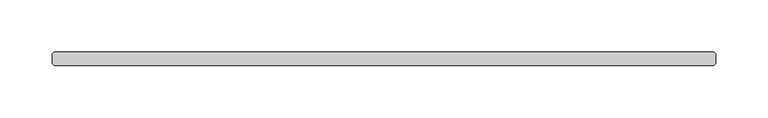
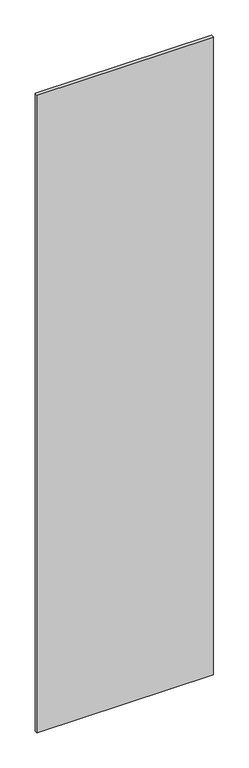
"""IFC4 building model written with IfcOpenShell, lengths in millimetres: plate geometry."""

import ifcopenshell
import ifcopenshell.guid

model = None  # the IFC model being written
_history = None  # IfcOwnerHistory: only IFC2X3 demands one
_inside = {}  # id of a spatial element -> (the spatial element, [elements in it])
_under = {}  # id of a project, library or spatial element -> (it, [spatial elements below it])
_declared = {}  # id of a project -> (the project, [libraries it declares])
_typed = {}  # id of a type object -> (the type object, [elements of that type])
_made_of = {}  # id of a material, layer set ... -> (it, [elements and type objects made of it])


def new_model(schema):
    """Start an empty IFC model of exactly this schema.

    Asked for "IFC4X3", IfcOpenShell would pick the latest addendum, in which some entities
    have other attributes; the version numbers below select the first issue.
    IFC2X3 requires an IfcOwnerHistory on every rooted entity: one is made here for all.
    """
    global model, _history
    if schema == "IFC4X3":
        model = ifcopenshell.file(schema_version=(4, 3, 0, 0))
    else:
        model = ifcopenshell.file(schema=schema)
    _inside.clear()
    _under.clear()
    _declared.clear()
    _typed.clear()
    _made_of.clear()
    _history = None
    if model.schema == "IFC2X3":
        org = make("IfcOrganization", Name="unknown")
        user = make(
            "IfcPersonAndOrganization",
            ThePerson=make("IfcPerson", FamilyName="unknown"),
            TheOrganization=org,
        )
        app = make(
            "IfcApplication",
            ApplicationDeveloper=org,
            Version="unknown",
            ApplicationFullName="unknown",
            ApplicationIdentifier="unknown",
        )
        _history = make(
            "IfcOwnerHistory",
            OwningUser=user,
            OwningApplication=app,
            ChangeAction="ADDED",
            CreationDate=0,
        )
    return model


def make(cls, **values):
    """One entity of the class cls with the attributes given. An attribute that is None is left unset."""
    return model.create_entity(
        cls, **{name: value for name, value in values.items() if value is not None}
    )


def rooted(cls, **values):
    """An entity with a GlobalId (a new one), such as an element, a storey or a relation."""
    return make(cls, GlobalId=ifcopenshell.guid.new(), OwnerHistory=_history, **values)


def si_unit(unit_type, name, prefix=None):
    """IfcSIUnit, for example si_unit("LENGTHUNIT", "METRE", prefix="MILLI")."""
    return make("IfcSIUnit", UnitType=unit_type, Prefix=prefix, Name=name)


def assignment(units):
    """IfcUnitAssignment: the units of a project."""
    return None if units is None else make("IfcUnitAssignment", Units=units)


def point(xyz):
    """IfcCartesianPoint."""
    return None if xyz is None else make("IfcCartesianPoint", Coordinates=xyz)


def direction(xyz):
    """IfcDirection."""
    return None if xyz is None else make("IfcDirection", DirectionRatios=xyz)


def frame(location, z_axis=None, x_axis=None):
    """IfcAxis2Placement3D, a coordinate frame: its origin and axes. An axis left out is left unset."""
    return make(
        "IfcAxis2Placement3D",
        Location=point(location),
        Axis=direction(z_axis),
        RefDirection=direction(x_axis),
    )


def origin():
    """The frame at (0, 0, 0) with its axes left unset."""
    return frame((0.0, 0.0, 0.0))


def origin_with_axes():
    """The frame at (0, 0, 0) with the z axis (0, 0, 1) and the x axis (1, 0, 0) written out."""
    return frame((0.0, 0.0, 0.0), z_axis=(0.0, 0.0, 1.0), x_axis=(1.0, 0.0, 0.0))


def place(relative_to, where):
    """IfcLocalPlacement: puts the frame where relative to a parent placement (None: the world)."""
    return make(
        "IfcLocalPlacement", PlacementRelTo=relative_to, RelativePlacement=where
    )


def context(
    kind, dimensions, precision=None, world=None, true_north=None, identifier=None
):
    """IfcGeometricRepresentationContext, for example the 3D "Model" context."""
    return make(
        "IfcGeometricRepresentationContext",
        ContextIdentifier=identifier,
        ContextType=kind,
        CoordinateSpaceDimension=dimensions,
        Precision=precision,
        WorldCoordinateSystem=world,
        TrueNorth=true_north,
    )


def project(units=None, contexts=None):
    """IfcProject with its units and contexts."""
    return rooted(
        "IfcProject",
        Name="project",
        RepresentationContexts=contexts,
        UnitsInContext=assignment(units),
    )


def spatial(cls, under=None, at=None, **own):
    """A site, building, storey or space (cls), placed at a placement, below another one or the project."""
    s = rooted(cls, ObjectPlacement=at, **own)
    if under is not None:
        _under.setdefault(under.id(), (under, []))[1].append(s)
    return s


def polyline(points):
    """IfcPolyline through the points."""
    return make("IfcPolyline", Points=[point(p) for p in points])


def outline(outer, holes=None, kind="AREA"):
    """IfcArbitraryClosedProfileDef: a profile drawn as a closed curve; with holes, ...WithVoids."""
    if holes is None:
        return make("IfcArbitraryClosedProfileDef", ProfileType=kind, OuterCurve=outer)
    return make(
        "IfcArbitraryProfileDefWithVoids",
        ProfileType=kind,
        OuterCurve=outer,
        InnerCurves=holes,
    )


def extrude(swept, where, along, depth):
    """IfcExtrudedAreaSolid: the profile swept, set in the frame where, extruded along a direction by depth."""
    return make(
        "IfcExtrudedAreaSolid",
        SweptArea=swept,
        Position=where,
        ExtrudedDirection=direction(along),
        Depth=depth,
    )


def shape(context_of_items, identifier, shape_type, items):
    """IfcShapeRepresentation: the items that make up one representation, for example the "Body"."""
    return make(
        "IfcShapeRepresentation",
        ContextOfItems=context_of_items,
        RepresentationIdentifier=identifier,
        RepresentationType=shape_type,
        Items=items,
    )


def source(mapping_origin, context_of_items, identifier, shape_type, items):
    """IfcRepresentationMap: a shape defined once, which mapped items show again and again."""
    return make(
        "IfcRepresentationMap",
        MappingOrigin=mapping_origin,
        MappedRepresentation=shape(context_of_items, identifier, shape_type, items),
    )


def transform(
    local_origin,
    x_axis=None,
    y_axis=None,
    z_axis=None,
    scale=None,
    scale2=None,
    scale3=None,
    uniform=True,
):
    """IfcCartesianTransformationOperator3D, or its non-uniform kind. x_axis, y_axis, z_axis: its Axis1, 2, 3."""
    if uniform:
        return make(
            "IfcCartesianTransformationOperator3D",
            Axis1=direction(x_axis),
            Axis2=direction(y_axis),
            LocalOrigin=point(local_origin),
            Scale=scale,
            Axis3=direction(z_axis),
        )
    return make(
        "IfcCartesianTransformationOperator3DnonUniform",
        Axis1=direction(x_axis),
        Axis2=direction(y_axis),
        LocalOrigin=point(local_origin),
        Scale=scale,
        Axis3=direction(z_axis),
        Scale2=scale2,
        Scale3=scale3,
    )


def mapped(mapping_source, mapping_target):
    """IfcMappedItem: shows the shape of a source again, moved by a transform."""
    return make(
        "IfcMappedItem", MappingSource=mapping_source, MappingTarget=mapping_target
    )


def made_of(thing, what):
    """Note that an element or type object is made of a material, layer set ...; save() writes the relation."""
    if what is not None:
        _made_of.setdefault(what.id(), (what, []))[1].append(thing)
    return thing


def element(
    cls,
    number,
    at=None,
    inside=None,
    cuts=None,
    type_object=None,
    material=None,
    context=None,
    identifier="Body",
    shape_type=None,
    held_by="IfcProductDefinitionShape",
    body=None,
    shapes=None,
    **own,
):
    """One element of the class cls, such as IfcWall. Its Tag is "e" and its number.

    at: its placement. inside: the storey or other place that contains it. cuts: it is an
    opening in that element (IfcRelVoidsElement). A single representation is given by context,
    identifier, shape_type and body (its items); several are given by shapes. held_by: the class
    of the entity that holds the representations. save() writes the other relations.
    """
    e = rooted(cls, Tag="e%d" % number, ObjectPlacement=at, **own)
    if body is not None:
        shapes = [shape(context, identifier, shape_type, body)]
    if shapes is not None:
        e.Representation = make(held_by, Representations=shapes)
    if inside is not None:
        _inside.setdefault(inside.id(), (inside, []))[1].append(e)
    if cuts is not None:
        rooted(
            "IfcRelVoidsElement", RelatingBuildingElement=cuts, RelatedOpeningElement=e
        )
    if type_object is not None:
        _typed.setdefault(type_object.id(), (type_object, []))[1].append(e)
    return made_of(e, material)


def aggregate(whole, parts):
    """IfcRelAggregates: a whole, such as a stair, and the parts it consists of."""
    return rooted("IfcRelAggregates", RelatingObject=whole, RelatedObjects=parts)


def save(model, path):
    """Write the relations noted so far, then the file.

    IfcRelAggregates (storeys below a building ...), IfcRelContainedInSpatialStructure (elements
    in a storey), IfcRelDefinesByType, IfcRelAssociatesMaterial and IfcRelDeclares: one each for
    every whole, place, type object, material and project.
    """
    for whole, parts in _under.values():
        aggregate(whole, parts)
    for where, things in _inside.values():
        rooted(
            "IfcRelContainedInSpatialStructure",
            RelatedElements=things,
            RelatingStructure=where,
        )
    for kind, things in _typed.values():
        rooted("IfcRelDefinesByType", RelatedObjects=things, RelatingType=kind)
    for what, things in _made_of.values():
        rooted("IfcRelAssociatesMaterial", RelatedObjects=things, RelatingMaterial=what)
    for by, libraries in _declared.values():
        rooted("IfcRelDeclares", RelatingContext=by, RelatedDefinitions=libraries)
    model.write(path)


def plate_9651c46d(model_context):
    return source(origin(), model_context, "Body", "SweptSolid", [
        extrude(outline(polyline([(315.11875, -36.5125), (-315.11875, -36.5125), (-316.70625, -34.925), (-316.70625, -25.4), (-315.11875, -23.8125), (315.11875, -23.8125), (316.70625, -25.4), (316.70625, -34.925), (315.11875, -36.5125)])), origin_with_axes(), (0.0, 0.0, 1.0), 2417.075),
    ])


if __name__ == "__main__":
    model = new_model("IFC4")
    model_context = context("Model", 3, world=origin())
    ifc_project = project(units=[si_unit("LENGTHUNIT", "METRE", prefix="MILLI")], contexts=[model_context])
    site = spatial("IfcSite", under=ifc_project)
    building = spatial("IfcBuilding", under=site)
    placement = place(None, origin())
    plate_shape = plate_9651c46d(model_context)
    element("IfcPlate", 1, at=placement, inside=building, context=model_context, shape_type="MappedRepresentation", body=[
        mapped(plate_shape, transform((0.0, 0.0, 0.0), x_axis=(1.0, 0.0, 0.0), y_axis=(0.0, 1.0, 0.0), z_axis=(0.0, 0.0, 1.0))),
    ])
    save(model, "model.ifc")
